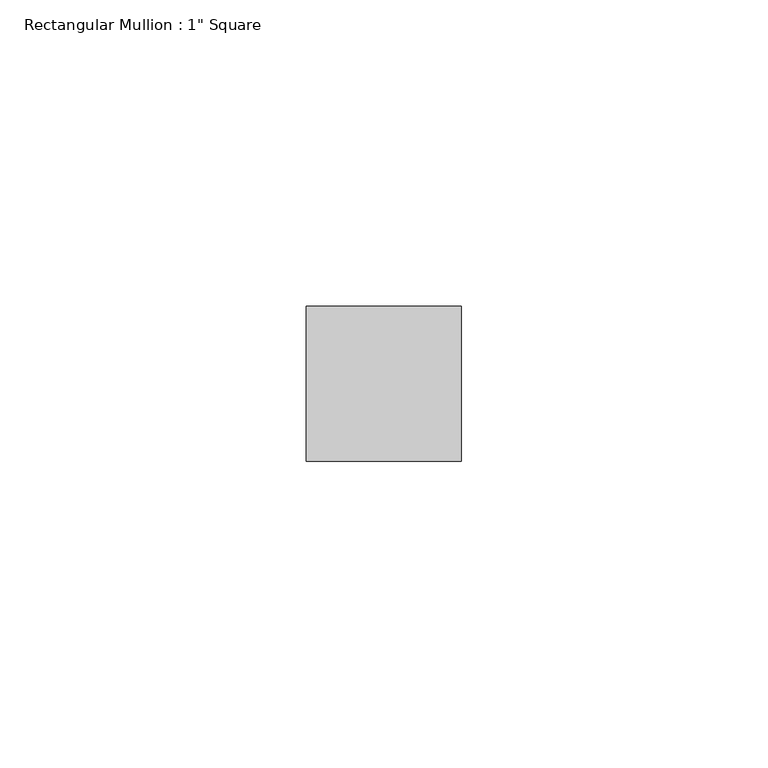
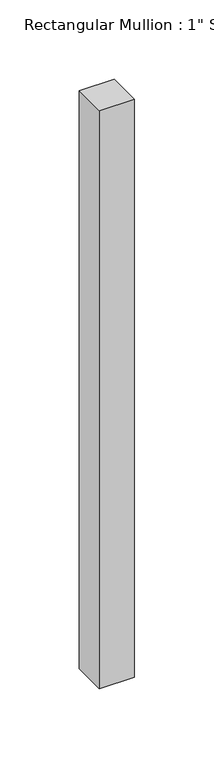
"""IFC4 building model written with IfcOpenShell, lengths in millimetres: member geometry."""

import ifcopenshell
import ifcopenshell.guid

model = None  # the IFC model being written
_history = None  # IfcOwnerHistory: only IFC2X3 demands one
_inside = {}  # id of a spatial element -> (the spatial element, [elements in it])
_under = {}  # id of a project, library or spatial element -> (it, [spatial elements below it])
_declared = {}  # id of a project -> (the project, [libraries it declares])
_typed = {}  # id of a type object -> (the type object, [elements of that type])
_made_of = {}  # id of a material, layer set ... -> (it, [elements and type objects made of it])


def new_model(schema):
    """Start an empty IFC model of exactly this schema.

    Asked for "IFC4X3", IfcOpenShell would pick the latest addendum, in which some entities
    have other attributes; the version numbers below select the first issue.
    IFC2X3 requires an IfcOwnerHistory on every rooted entity: one is made here for all.
    """
    global model, _history
    if schema == "IFC4X3":
        model = ifcopenshell.file(schema_version=(4, 3, 0, 0))
    else:
        model = ifcopenshell.file(schema=schema)
    _inside.clear()
    _under.clear()
    _declared.clear()
    _typed.clear()
    _made_of.clear()
    _history = None
    if model.schema == "IFC2X3":
        org = make("IfcOrganization", Name="unknown")
        user = make(
            "IfcPersonAndOrganization",
            ThePerson=make("IfcPerson", FamilyName="unknown"),
            TheOrganization=org,
        )
        app = make(
            "IfcApplication",
            ApplicationDeveloper=org,
            Version="unknown",
            ApplicationFullName="unknown",
            ApplicationIdentifier="unknown",
        )
        _history = make(
            "IfcOwnerHistory",
            OwningUser=user,
            OwningApplication=app,
            ChangeAction="ADDED",
            CreationDate=0,
        )
    return model


def make(cls, **values):
    """One entity of the class cls with the attributes given. An attribute that is None is left unset."""
    return model.create_entity(
        cls, **{name: value for name, value in values.items() if value is not None}
    )


def rooted(cls, **values):
    """An entity with a GlobalId (a new one), such as an element, a storey or a relation."""
    return make(cls, GlobalId=ifcopenshell.guid.new(), OwnerHistory=_history, **values)


def si_unit(unit_type, name, prefix=None):
    """IfcSIUnit, for example si_unit("LENGTHUNIT", "METRE", prefix="MILLI")."""
    return make("IfcSIUnit", UnitType=unit_type, Prefix=prefix, Name=name)


def assignment(units):
    """IfcUnitAssignment: the units of a project."""
    return None if units is None else make("IfcUnitAssignment", Units=units)


def point(xyz):
    """IfcCartesianPoint."""
    return None if xyz is None else make("IfcCartesianPoint", Coordinates=xyz)


def direction(xyz):
    """IfcDirection."""
    return None if xyz is None else make("IfcDirection", DirectionRatios=xyz)


def frame(location, z_axis=None, x_axis=None):
    """IfcAxis2Placement3D, a coordinate frame: its origin and axes. An axis left out is left unset."""
    return make(
        "IfcAxis2Placement3D",
        Location=point(location),
        Axis=direction(z_axis),
        RefDirection=direction(x_axis),
    )


def origin():
    """The frame at (0, 0, 0) with its axes left unset."""
    return frame((0.0, 0.0, 0.0))


def place(relative_to, where):
    """IfcLocalPlacement: puts the frame where relative to a parent placement (None: the world)."""
    return make(
        "IfcLocalPlacement", PlacementRelTo=relative_to, RelativePlacement=where
    )


def context(
    kind, dimensions, precision=None, world=None, true_north=None, identifier=None
):
    """IfcGeometricRepresentationContext, for example the 3D "Model" context."""
    return make(
        "IfcGeometricRepresentationContext",
        ContextIdentifier=identifier,
        ContextType=kind,
        CoordinateSpaceDimension=dimensions,
        Precision=precision,
        WorldCoordinateSystem=world,
        TrueNorth=true_north,
    )


def project(units=None, contexts=None):
    """IfcProject with its units and contexts."""
    return rooted(
        "IfcProject",
        Name="project",
        RepresentationContexts=contexts,
        UnitsInContext=assignment(units),
    )


def spatial(cls, under=None, at=None, **own):
    """A site, building, storey or space (cls), placed at a placement, below another one or the project."""
    s = rooted(cls, ObjectPlacement=at, **own)
    if under is not None:
        _under.setdefault(under.id(), (under, []))[1].append(s)
    return s


def polyline(points):
    """IfcPolyline through the points."""
    return make("IfcPolyline", Points=[point(p) for p in points])


def outline(outer, holes=None, kind="AREA"):
    """IfcArbitraryClosedProfileDef: a profile drawn as a closed curve; with holes, ...WithVoids."""
    if holes is None:
        return make("IfcArbitraryClosedProfileDef", ProfileType=kind, OuterCurve=outer)
    return make(
        "IfcArbitraryProfileDefWithVoids",
        ProfileType=kind,
        OuterCurve=outer,
        InnerCurves=holes,
    )


def extrude(swept, where, along, depth):
    """IfcExtrudedAreaSolid: the profile swept, set in the frame where, extruded along a direction by depth."""
    return make(
        "IfcExtrudedAreaSolid",
        SweptArea=swept,
        Position=where,
        ExtrudedDirection=direction(along),
        Depth=depth,
    )


def shape(context_of_items, identifier, shape_type, items):
    """IfcShapeRepresentation: the items that make up one representation, for example the "Body"."""
    return make(
        "IfcShapeRepresentation",
        ContextOfItems=context_of_items,
        RepresentationIdentifier=identifier,
        RepresentationType=shape_type,
        Items=items,
    )


def source(mapping_origin, context_of_items, identifier, shape_type, items):
    """IfcRepresentationMap: a shape defined once, which mapped items show again and again."""
    return make(
        "IfcRepresentationMap",
        MappingOrigin=mapping_origin,
        MappedRepresentation=shape(context_of_items, identifier, shape_type, items),
    )


def transform(
    local_origin,
    x_axis=None,
    y_axis=None,
    z_axis=None,
    scale=None,
    scale2=None,
    scale3=None,
    uniform=True,
):
    """IfcCartesianTransformationOperator3D, or its non-uniform kind. x_axis, y_axis, z_axis: its Axis1, 2, 3."""
    if uniform:
        return make(
            "IfcCartesianTransformationOperator3D",
            Axis1=direction(x_axis),
            Axis2=direction(y_axis),
            LocalOrigin=point(local_origin),
            Scale=scale,
            Axis3=direction(z_axis),
        )
    return make(
        "IfcCartesianTransformationOperator3DnonUniform",
        Axis1=direction(x_axis),
        Axis2=direction(y_axis),
        LocalOrigin=point(local_origin),
        Scale=scale,
        Axis3=direction(z_axis),
        Scale2=scale2,
        Scale3=scale3,
    )


def mapped(mapping_source, mapping_target):
    """IfcMappedItem: shows the shape of a source again, moved by a transform."""
    return make(
        "IfcMappedItem", MappingSource=mapping_source, MappingTarget=mapping_target
    )


def made_of(thing, what):
    """Note that an element or type object is made of a material, layer set ...; save() writes the relation."""
    if what is not None:
        _made_of.setdefault(what.id(), (what, []))[1].append(thing)
    return thing


def element(
    cls,
    number,
    at=None,
    inside=None,
    cuts=None,
    type_object=None,
    material=None,
    context=None,
    identifier="Body",
    shape_type=None,
    held_by="IfcProductDefinitionShape",
    body=None,
    shapes=None,
    **own,
):
    """One element of the class cls, such as IfcWall. Its Tag is "e" and its number.

    at: its placement. inside: the storey or other place that contains it. cuts: it is an
    opening in that element (IfcRelVoidsElement). A single representation is given by context,
    identifier, shape_type and body (its items); several are given by shapes. held_by: the class
    of the entity that holds the representations. save() writes the other relations.
    """
    e = rooted(cls, Tag="e%d" % number, ObjectPlacement=at, **own)
    if body is not None:
        shapes = [shape(context, identifier, shape_type, body)]
    if shapes is not None:
        e.Representation = make(held_by, Representations=shapes)
    if inside is not None:
        _inside.setdefault(inside.id(), (inside, []))[1].append(e)
    if cuts is not None:
        rooted(
            "IfcRelVoidsElement", RelatingBuildingElement=cuts, RelatedOpeningElement=e
        )
    if type_object is not None:
        _typed.setdefault(type_object.id(), (type_object, []))[1].append(e)
    return made_of(e, material)


def aggregate(whole, parts):
    """IfcRelAggregates: a whole, such as a stair, and the parts it consists of."""
    return rooted("IfcRelAggregates", RelatingObject=whole, RelatedObjects=parts)


def save(model, path):
    """Write the relations noted so far, then the file.

    IfcRelAggregates (storeys below a building ...), IfcRelContainedInSpatialStructure (elements
    in a storey), IfcRelDefinesByType, IfcRelAssociatesMaterial and IfcRelDeclares: one each for
    every whole, place, type object, material and project.
    """
    for whole, parts in _under.values():
        aggregate(whole, parts)
    for where, things in _inside.values():
        rooted(
            "IfcRelContainedInSpatialStructure",
            RelatedElements=things,
            RelatingStructure=where,
        )
    for kind, things in _typed.values():
        rooted("IfcRelDefinesByType", RelatedObjects=things, RelatingType=kind)
    for what, things in _made_of.values():
        rooted("IfcRelAssociatesMaterial", RelatedObjects=things, RelatingMaterial=what)
    for by, libraries in _declared.values():
        rooted("IfcRelDeclares", RelatingContext=by, RelatedDefinitions=libraries)
    model.write(path)


def member_e8387abb(model_context):
    return source(origin(), model_context, "Body", "SweptSolid", [
        extrude(outline(polyline([(12.7, 12.7), (12.7, -12.7), (-12.7, -12.7), (-12.7, 12.7), (12.7, 12.7)])), frame((0.0, 0.0, -444.5), z_axis=(0.0, 0.0, 1.0), x_axis=(1.0, 0.0, 0.0)), (0.0, 0.0, 1.0), 444.5),
    ])


if __name__ == "__main__":
    model = new_model("IFC4")
    model_context = context("Model", 3, world=origin())
    ifc_project = project(units=[si_unit("LENGTHUNIT", "METRE", prefix="MILLI")], contexts=[model_context])
    site = spatial("IfcSite", under=ifc_project)
    building = spatial("IfcBuilding", under=site)
    placement = place(None, origin())
    member_shape = member_e8387abb(model_context)
    element("IfcMember", 1, ObjectType="Rectangular Mullion : 1\" Square", at=placement, inside=building, context=model_context, shape_type="MappedRepresentation", body=[
        mapped(member_shape, transform((0.0, 0.0, 0.0), x_axis=(1.0, 0.0, 0.0), y_axis=(0.0, 1.0, 0.0), z_axis=(0.0, 0.0, 1.0))),
    ])
    save(model, "model.ifc")
